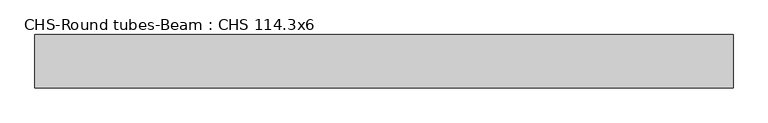
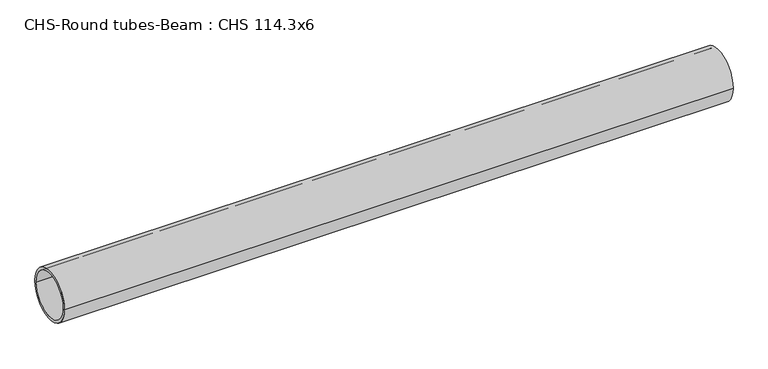
"""IFC4 building model written with IfcOpenShell, lengths in millimetres: beam geometry, CHS-Round tubes-Beam : CHS 114.3x6."""

from ifc_helpers import new_model, si_unit, point, frame, origin, origin_2d, place, context, project, spatial, circle_curve, trimmed, segment, composite_curve, outline, extrude, source, transform, mapped, element, save


def chs_round_tubes_beam_chs_114_3x6_4a5b2faf(model_context):
    return source(origin(), model_context, "Body", "SweptSolid", [
        extrude(outline(composite_curve([segment(trimmed(circle_curve(origin_2d(), 57.15), [point((57.15, 0.0))], [point((-57.15, 0.0))], False, "CARTESIAN"), True, "CONTINUOUS"), segment(trimmed(circle_curve(origin_2d(), 57.15), [point((-57.15, 0.0))], [point((57.15, 0.0))], False, "CARTESIAN"), True, "CONTINUOUS")], self_intersect=False), holes=[composite_curve([segment(trimmed(circle_curve(origin_2d(), 51.15), [point((51.15, 0.0))], [point((-51.15, 0.0))], True, "CARTESIAN"), True, "CONTINUOUS"), segment(trimmed(circle_curve(origin_2d(), 51.15), [point((-51.15, 0.0))], [point((51.15, 0.0))], True, "CARTESIAN"), True, "CONTINUOUS")], self_intersect=False)]), frame((-739.6915392, 0.0, 0.0), z_axis=(1.0, 0.0, 0.0), x_axis=(0.0, 1.0, 0.0)), (0.0, 0.0, 1.0), 1497.7612336),
    ])


if __name__ == "__main__":
    model = new_model("IFC4")
    model_context = context("Model", 3, world=origin())
    ifc_project = project(units=[si_unit("LENGTHUNIT", "METRE", prefix="MILLI")], contexts=[model_context])
    site = spatial("IfcSite", under=ifc_project)
    building = spatial("IfcBuilding", under=site)
    placement = place(None, origin())
    chs_round_tubes_beam_chs_114_3x6_shape = chs_round_tubes_beam_chs_114_3x6_4a5b2faf(model_context)
    element("IfcBeam", 1, ObjectType="CHS-Round tubes-Beam : CHS 114.3x6", at=placement, inside=building, context=model_context, shape_type="MappedRepresentation", body=[
        mapped(chs_round_tubes_beam_chs_114_3x6_shape, transform((0.0, 0.0, 0.0), x_axis=(1.0, 0.0, 0.0), y_axis=(0.0, 1.0, 0.0), z_axis=(0.0, 0.0, 1.0))),
    ])
    save(model, "model.ifc")
